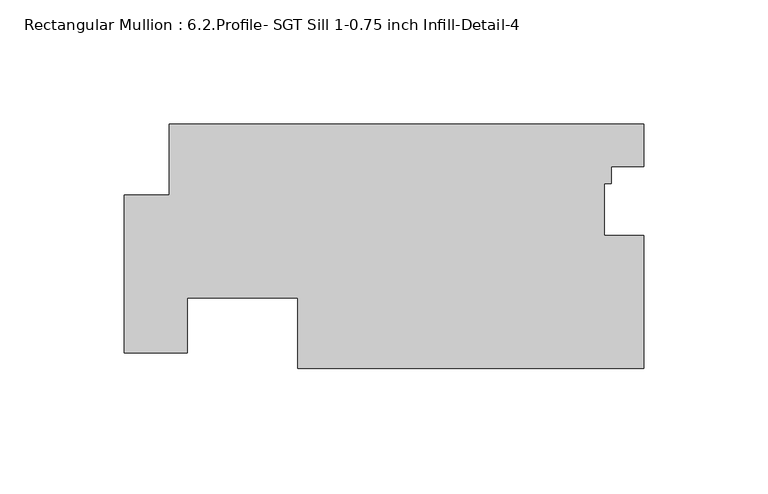
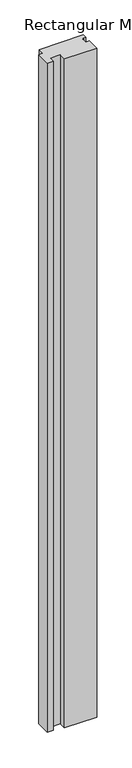
"""IFC4 building model written with IfcOpenShell, lengths in millimetres: member geometry, Rectangular Mullion : 6.2.Profile- SGT Sill 1-0.75 inch Infill-Detail-4."""

from ifc_helpers import new_model, si_unit, frame, origin, place, context, project, spatial, polyline, outline, extrude, source, transform, mapped, element, save


def rectangular_mullion_6_2_profile_sgt_sill_1_0_75_inch_infill_6f9b1770(model_context):
    return source(origin(), model_context, "Body", "SweptSolid", [
        extrude(outline(polyline([(0.0, -53.6150961), (-139.1929435, -53.6150961), (-139.1929435, -25.1473054), (-183.6429435, -25.1473054), (-183.6429435, -47.2650496), (-209.042, -47.2650496), (-209.042, 16.2349504), (-190.881, 16.2349504), (-190.881, 44.8099504), (0.0, 44.8099504), (0.0, 27.804649), (-13.0437992, 27.804649), (-13.0437992, 20.9466493), (-15.8984045, 20.9466493), (-15.8984045, 0.0), (0.0, 0.0), (0.0, -53.6150961)])), frame((0.0, 0.0, -3048.0), z_axis=(0.0, 0.0, 1.0), x_axis=(1.0, 0.0, 0.0)), (0.0, 0.0, 1.0), 3048.0),
    ])


if __name__ == "__main__":
    model = new_model("IFC4")
    model_context = context("Model", 3, world=origin())
    ifc_project = project(units=[si_unit("LENGTHUNIT", "METRE", prefix="MILLI")], contexts=[model_context])
    site = spatial("IfcSite", under=ifc_project)
    building = spatial("IfcBuilding", under=site)
    placement = place(None, origin())
    rectangular_mullion_6_2_profile_sgt_sill_1_0_75_inch_infill_shape = rectangular_mullion_6_2_profile_sgt_sill_1_0_75_inch_infill_6f9b1770(model_context)
    element("IfcMember", 1, ObjectType="Rectangular Mullion : 6.2.Profile- SGT Sill 1-0.75 inch Infill-Detail-4", at=placement, inside=building, context=model_context, shape_type="MappedRepresentation", body=[
        mapped(rectangular_mullion_6_2_profile_sgt_sill_1_0_75_inch_infill_shape, transform((0.0, 0.0, 0.0), x_axis=(1.0, 0.0, 0.0), y_axis=(0.0, 1.0, 0.0), z_axis=(0.0, 0.0, 1.0))),
    ])
    save(model, "model.ifc")
